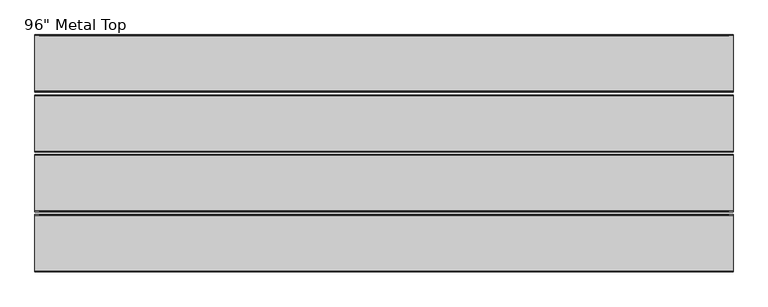
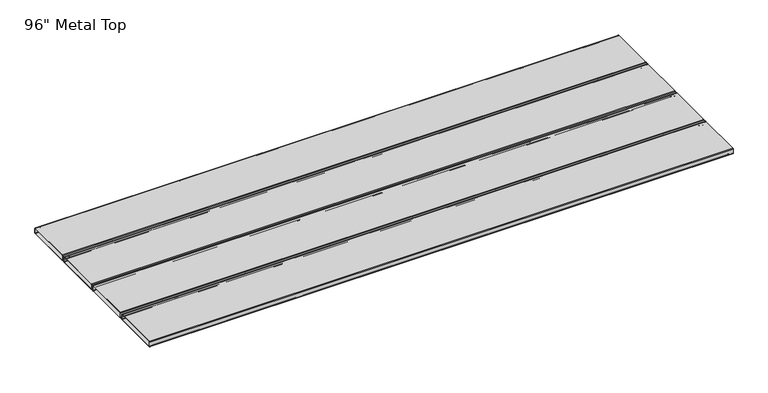
"""IFC4 building model written with IfcOpenShell, lengths in millimetres: furniture geometry."""

from ifc_helpers import new_model, si_unit, point, frame, origin, place, context, project, spatial, polyline, circle_curve, ellipse_curve, trimmed, source, transform, mapped, element, save
from ifc_brep_helpers import plane_surface, cylinder_surface, revolved_surface, advanced_brep


def furniture_aa2daf5c(model_context):
    return source(origin(), model_context, "Body", "AdvancedBrep", [
        advanced_brep(
        [(1204.0856771, -409.4413385, 714.0607445), (1204.0856771, -409.4156702, 697.05), (1204.0856771, -408.0406702, 695.675), (1204.0856771, -215.0404873, 695.675), (1204.0856771, -213.6656702, 697.05), (1204.0856771, -213.6400019, 714.0607445), (1204.0856771, -215.0404873, 715.425), (1204.0856771, -408.0514147, 715.4506683), (-1202.5643229, -409.4156702, 714.05), (-1202.5643229, -408.0406702, 715.425), (-1202.5643229, -215.0404873, 715.425), (-1202.5643229, -213.6656702, 714.05), (-1202.5643229, -213.6656702, 697.05), (-1202.5643229, -215.0404873, 695.675), (-1202.5643229, -408.0514147, 695.6493317), (-1202.5643229, -409.4156702, 697.05)],
        [
            (0, 1),
            (1, 2, circle_curve(frame((1204.0856771, -408.0406702, 697.05), z_axis=(1.0, 0.0, 0.0), x_axis=(0.0, 1.0, 0.0)), 1.375)),
            (2, 3),
            (3, 4, circle_curve(frame((1204.0856771, -215.0406702, 697.05), z_axis=(1.0, 0.0, 0.0), x_axis=(0.0, 1.0, 0.0)), 1.375)),
            (4, 5),
            (5, 6, circle_curve(frame((1204.0856771, -215.0406702, 714.05), z_axis=(1.0, 0.0, 0.0), x_axis=(0.0, 1.0, 0.0)), 1.375)),
            (6, 7),
            (7, 0, circle_curve(frame((1204.0856771, -408.0406702, 714.05), z_axis=(1.0, 0.0, 0.0), x_axis=(0.0, 1.0, 0.0)), 1.375)),
            (8, 9, circle_curve(frame((-1202.5643229, -408.0406702, 714.05), z_axis=(-1.0, 0.0, 0.0), x_axis=(0.0, 1.0, 0.0)), 1.375)),
            (9, 10),
            (10, 11, circle_curve(frame((-1202.5643229, -215.0406702, 714.05), z_axis=(-1.0, 0.0, 0.0), x_axis=(0.0, 1.0, 0.0)), 1.375)),
            (11, 12),
            (12, 13, circle_curve(frame((-1202.5643229, -215.0406702, 697.05), z_axis=(-1.0, 0.0, 0.0), x_axis=(0.0, 1.0, 0.0)), 1.375)),
            (13, 14),
            (14, 15, circle_curve(frame((-1202.5643229, -408.0406702, 697.05), z_axis=(-1.0, 0.0, 0.0), x_axis=(0.0, 1.0, 0.0)), 1.375)),
            (15, 8),
            (0, 8),
            (15, 1),
            (14, 2),
            (13, 3),
            (12, 4),
            (11, 5),
            (10, 6),
            (9, 7),
        ],
        [
            plane_surface(frame((1204.0856771, -409.4156702, 697.05), z_axis=(1.0, 0.0, 0.0), x_axis=(0.0, 0.0015089442958824658, -0.999998861542908))),
            plane_surface(frame((-1202.5643229, -409.4156702, 697.05), z_axis=(-1.0, 0.0, 0.0), x_axis=(0.0, -0.0015089442958824658, 0.999998861542908))),
            plane_surface(frame((1204.0856771, -409.4413385, 714.0607445), z_axis=(0.0, -0.999998861542908, -0.0015089442958824658), x_axis=(-1.0, 0.0, 0.0))),
            cylinder_surface(frame((-1202.5643229, -408.0406702, 697.05), z_axis=(1.0, 0.0, 0.0), x_axis=(0.0, 1.0, 0.0)), 1.375),
            plane_surface(frame((1204.0856771, -408.0514147, 695.6493317), z_axis=(0.0, 0.00013298887997386375, -0.9999999911569789), x_axis=(-1.0, 0.0, 0.0))),
            cylinder_surface(frame((-1202.5643229, -215.0406702, 697.05), z_axis=(1.0, 0.0, 0.0), x_axis=(0.0, 1.0, 0.0)), 1.375),
            plane_surface(frame((1204.0856771, -213.6656702, 697.05), z_axis=(0.0, 0.999998861542908, -0.0015089442958825018), x_axis=(-1.0, 0.0, 0.0))),
            cylinder_surface(frame((-1202.5643229, -215.0406702, 714.05), z_axis=(1.0, 0.0, 0.0), x_axis=(0.0, 1.0, 0.0)), 1.375),
            plane_surface(frame((1204.0856771, -215.0404873, 715.425), z_axis=(0.0, 0.00013298899560815783, 0.9999999911569636), x_axis=(-1.0, 0.0, 0.0))),
            cylinder_surface(frame((-1202.5643229, -408.0406702, 714.05), z_axis=(1.0, 0.0, 0.0), x_axis=(0.0, 1.0, 0.0)), 1.375),
        ],
        [
            (0, [[1, 2, 3, 4, 5, 6, 7, 8]]),
            (1, [[9, 10, 11, 12, 13, 14, 15, 16]]),
            (2, [[-1, 17, -16, 18]]),
            (3, [[-2, -18, -15, 19]]),
            (4, [[-3, -19, -14, 20]]),
            (5, [[-4, -20, -13, 21]]),
            (6, [[-5, -21, -12, 22]]),
            (7, [[-6, -22, -11, 23]]),
            (8, [[-7, -23, -10, 24]]),
            (9, [[-8, -24, -9, -17]]),
        ],
    ),
        advanced_brep(
        [(1219.9606771, -411.5406702, 696.05), (1219.9606771, -409.0406702, 693.55), (1219.9606771, -214.0406702, 693.55), (1219.9606771, -211.5406702, 696.05), (1219.9606771, -211.5406702, 715.05), (1219.9606771, -214.0406702, 717.55), (1219.9606771, -409.0406702, 717.55), (1219.9606771, -411.5406702, 715.05), (1219.9606771, -408.0406702, 695.675), (1219.9606771, -409.4156702, 697.05), (1219.9606771, -409.4413385, 714.0607445), (1219.9606771, -408.0406702, 715.425), (1219.9606771, -215.0404873, 715.425), (1219.9606771, -213.6656702, 714.05), (1219.9606771, -213.6656702, 697.05), (1219.9606771, -215.0404873, 695.675), (-1218.4393229, -411.5406702, 696.05), (-1218.4393229, -411.5406702, 715.05), (-1218.4393229, -409.0406702, 717.55), (-1218.4393229, -214.0406702, 717.55), (-1218.4393229, -211.5406702, 715.05), (-1218.4393229, -211.5406702, 696.05), (-1218.4393229, -214.0406702, 693.55), (-1218.4393229, -409.0406702, 693.55), (-1218.4393229, -408.0514147, 695.6493317), (-1218.4393229, -215.0404873, 695.675), (-1218.4393229, -213.6656702, 697.05), (-1218.4393229, -213.6400019, 714.0607445), (-1218.4393229, -215.0404873, 715.425), (-1218.4393229, -408.0514147, 715.4506683), (-1218.4393229, -409.4156702, 714.05), (-1218.4393229, -409.4156702, 697.05)],
        [
            (0, 1, circle_curve(frame((1219.9606771, -409.0406702, 696.05), z_axis=(1.0, 0.0, 0.0), x_axis=(0.0, 1.0, 0.0)), 2.5)),
            (1, 2),
            (2, 3, circle_curve(frame((1219.9606771, -214.0406702, 696.05), z_axis=(1.0, 0.0, 0.0), x_axis=(0.0, 1.0, 0.0)), 2.5)),
            (3, 4),
            (4, 5, circle_curve(frame((1219.9606771, -214.0406702, 715.05), z_axis=(1.0, 0.0, 0.0), x_axis=(0.0, 1.0, 0.0)), 2.5)),
            (5, 6),
            (6, 7, circle_curve(frame((1219.9606771, -409.0406702, 715.05), z_axis=(1.0, 0.0, 0.0), x_axis=(0.0, 1.0, 0.0)), 2.5)),
            (7, 0),
            (8, 9, circle_curve(frame((1219.9606771, -408.0406702, 697.05), z_axis=(-1.0, 0.0, 0.0), x_axis=(0.0, 1.0, 0.0)), 1.375)),
            (9, 10),
            (10, 11, circle_curve(frame((1219.9606771, -408.0406702, 714.05), z_axis=(-1.0, 0.0, 0.0), x_axis=(0.0, 1.0, 0.0)), 1.375)),
            (11, 12),
            (12, 13, circle_curve(frame((1219.9606771, -215.0406702, 714.05), z_axis=(-1.0, 0.0, 0.0), x_axis=(0.0, 1.0, 0.0)), 1.375)),
            (13, 14),
            (14, 15, circle_curve(frame((1219.9606771, -215.0406702, 697.05), z_axis=(-1.0, 0.0, 0.0), x_axis=(0.0, 1.0, 0.0)), 1.375)),
            (15, 8),
            (16, 17),
            (17, 18, circle_curve(frame((-1218.4393229, -409.0406702, 715.05), z_axis=(-1.0, 0.0, 0.0), x_axis=(0.0, 1.0, 0.0)), 2.5)),
            (18, 19),
            (19, 20, circle_curve(frame((-1218.4393229, -214.0406702, 715.05), z_axis=(-1.0, 0.0, 0.0), x_axis=(0.0, 1.0, 0.0)), 2.5)),
            (20, 21),
            (21, 22, circle_curve(frame((-1218.4393229, -214.0406702, 696.05), z_axis=(-1.0, 0.0, 0.0), x_axis=(0.0, 1.0, 0.0)), 2.5)),
            (22, 23),
            (23, 16, circle_curve(frame((-1218.4393229, -409.0406702, 696.05), z_axis=(-1.0, 0.0, 0.0), x_axis=(0.0, 1.0, 0.0)), 2.5)),
            (24, 25),
            (25, 26, circle_curve(frame((-1218.4393229, -215.0406702, 697.05), z_axis=(1.0, 0.0, 0.0), x_axis=(0.0, 1.0, 0.0)), 1.375)),
            (26, 27),
            (27, 28, circle_curve(frame((-1218.4393229, -215.0406702, 714.05), z_axis=(1.0, 0.0, 0.0), x_axis=(0.0, 1.0, 0.0)), 1.375)),
            (28, 29),
            (29, 30, circle_curve(frame((-1218.4393229, -408.0406702, 714.05), z_axis=(1.0, 0.0, 0.0), x_axis=(0.0, 1.0, 0.0)), 1.375)),
            (30, 31),
            (31, 24, circle_curve(frame((-1218.4393229, -408.0406702, 697.05), z_axis=(1.0, 0.0, 0.0), x_axis=(0.0, 1.0, 0.0)), 1.375)),
            (0, 16),
            (23, 1),
            (22, 2),
            (21, 3),
            (20, 4),
            (19, 5),
            (18, 6),
            (17, 7),
            (8, 24),
            (31, 9),
            (30, 10),
            (29, 11),
            (28, 12),
            (27, 13),
            (26, 14),
            (25, 15),
        ],
        [
            plane_surface(frame((1219.9606771, -406.5406702, 696.05), z_axis=(1.0, 0.0, 0.0), x_axis=(0.0, 0.0, 1.0))),
            plane_surface(frame((-1218.4393229, -406.5406702, 696.05), z_axis=(-1.0, 0.0, 0.0), x_axis=(0.0, 0.0, -1.0))),
            cylinder_surface(frame((-1218.4393229, -409.0406702, 696.05), z_axis=(1.0, 0.0, 0.0), x_axis=(0.0, 1.0, 0.0)), 2.5),
            plane_surface(frame((1219.9606771, -409.0406702, 693.55), z_axis=(0.0, 0.0, -1.0), x_axis=(-1.0, 0.0, 0.0))),
            cylinder_surface(frame((-1218.4393229, -214.0406702, 696.05), z_axis=(1.0, 0.0, 0.0), x_axis=(0.0, 1.0, 0.0)), 2.5),
            plane_surface(frame((1219.9606771, -211.5406702, 696.05), z_axis=(0.0, 1.0, 0.0), x_axis=(-1.0, 0.0, 0.0))),
            cylinder_surface(frame((-1218.4393229, -214.0406702, 715.05), z_axis=(1.0, 0.0, 0.0), x_axis=(0.0, 1.0, 0.0)), 2.5),
            plane_surface(frame((1219.9606771, -214.0406702, 717.55), z_axis=(0.0, 5.2088685501275944e-11, 1.0), x_axis=(-1.0, 0.0, 0.0))),
            cylinder_surface(frame((-1218.4393229, -409.0406702, 715.05), z_axis=(1.0, 0.0, 0.0), x_axis=(0.0, 1.0, 0.0)), 2.5),
            plane_surface(frame((1219.9606771, -411.5406702, 715.05), z_axis=(0.0, -1.0, 0.0), x_axis=(-1.0, 0.0, 0.0))),
            revolved_surface(polyline([(-1218.4393229, -406.6656702, 697.05), (1219.9606771, -406.6656702, 697.05)]), (0.7606771, -408.0406702, 697.05), (-1.0, 0.0, 0.0)),
            plane_surface(frame((1219.9606771, -409.4156702, 697.05), z_axis=(0.0, 0.999998861542908, 0.0015089442958824899), x_axis=(-1.0, 0.0, 0.0))),
            revolved_surface(polyline([(-1218.4393229, -406.6656702, 714.05), (1219.9606771, -406.6656702, 714.05)]), (0.7606771, -408.0406702, 714.05), (-1.0, 0.0, 0.0)),
            plane_surface(frame((1219.9606771, -408.0514147, 715.4506683), z_axis=(0.0, -0.0001329889956081423, -0.9999999911569635), x_axis=(-1.0, 0.0, 0.0))),
            revolved_surface(polyline([(-1218.4393229, -213.6656702, 714.05), (1219.9606771, -213.6656702, 714.05)]), (0.7606771, -215.0406702, 714.05), (-1.0, 0.0, 0.0)),
            plane_surface(frame((1219.9606771, -213.6400019, 714.0607445), z_axis=(0.0, -0.999998861542908, 0.0015089442958825035), x_axis=(-1.0, 0.0, 0.0))),
            revolved_surface(polyline([(-1218.4393229, -213.6656702, 697.05), (1219.9606771, -213.6656702, 697.05)]), (0.7606771, -215.0406702, 697.05), (-1.0, 0.0, 0.0)),
            plane_surface(frame((1219.9606771, -215.0404873, 695.675), z_axis=(0.0, -0.0001329888799738041, 0.9999999911569789), x_axis=(-1.0, 0.0, 0.0))),
        ],
        [
            (0, [[1, 2, 3, 4, 5, 6, 7, 8], [9, 10, 11, 12, 13, 14, 15, 16]]),
            (1, [[17, 18, 19, 20, 21, 22, 23, 24], [25, 26, 27, 28, 29, 30, 31, 32]]),
            (2, [[-1, 33, -24, 34]]),
            (3, [[-2, -34, -23, 35]]),
            (4, [[-3, -35, -22, 36]]),
            (5, [[-4, -36, -21, 37]]),
            (6, [[-5, -37, -20, 38]]),
            (7, [[-6, -38, -19, 39]]),
            (8, [[-7, -39, -18, 40]]),
            (9, [[-8, -40, -17, -33]]),
            (10, [[-9, 41, -32, 42]]),
            (11, [[-10, -42, -31, 43]]),
            (12, [[-11, -43, -30, 44]]),
            (13, [[-12, -44, -29, 45]]),
            (14, [[-13, -45, -28, 46]]),
            (15, [[-14, -46, -27, 47]]),
            (16, [[-15, -47, -26, 48]]),
            (17, [[-16, -48, -25, -41]]),
        ],
    ),
        advanced_brep(
        [(1204.0856771, -422.4343298, 714.05), (1204.0856771, -423.8093298, 715.425), (1204.0856771, -616.8095127, 715.425), (1204.0856771, -618.1843298, 714.05), (1204.0856771, -618.1843298, 697.05), (1204.0856771, -616.8095127, 695.675), (1204.0856771, -423.7985853, 695.6493317), (1204.0856771, -422.4343298, 697.05), (-1202.5643229, -422.4086615, 714.0607445), (-1202.5643229, -422.4343298, 697.05), (-1202.5643229, -423.8093298, 695.675), (-1202.5643229, -616.8095127, 695.675), (-1202.5643229, -618.1843298, 697.05), (-1202.5643229, -618.2099981, 714.0607445), (-1202.5643229, -616.8095127, 715.425), (-1202.5643229, -423.7985853, 715.4506683)],
        [
            (0, 1, circle_curve(frame((1204.0856771, -423.8093298, 714.05), z_axis=(1.0, 0.0, 0.0), x_axis=(0.0, -1.0, 0.0)), 1.375)),
            (1, 2),
            (2, 3, circle_curve(frame((1204.0856771, -616.8093298, 714.05), z_axis=(1.0, 0.0, 0.0), x_axis=(0.0, -1.0, 0.0)), 1.375)),
            (3, 4),
            (4, 5, circle_curve(frame((1204.0856771, -616.8093298, 697.05), z_axis=(1.0, 0.0, 0.0), x_axis=(0.0, -1.0, 0.0)), 1.375)),
            (5, 6),
            (6, 7, circle_curve(frame((1204.0856771, -423.8093298, 697.05), z_axis=(1.0, 0.0, 0.0), x_axis=(0.0, -1.0, 0.0)), 1.375)),
            (7, 0),
            (8, 9),
            (9, 10, circle_curve(frame((-1202.5643229, -423.8093298, 697.05), z_axis=(-1.0, 0.0, 0.0), x_axis=(0.0, -1.0, 0.0)), 1.375)),
            (10, 11),
            (11, 12, circle_curve(frame((-1202.5643229, -616.8093298, 697.05), z_axis=(-1.0, 0.0, 0.0), x_axis=(0.0, -1.0, 0.0)), 1.375)),
            (12, 13),
            (13, 14, circle_curve(frame((-1202.5643229, -616.8093298, 714.05), z_axis=(-1.0, 0.0, 0.0), x_axis=(0.0, -1.0, 0.0)), 1.375)),
            (14, 15),
            (15, 8, circle_curve(frame((-1202.5643229, -423.8093298, 714.05), z_axis=(-1.0, 0.0, 0.0), x_axis=(0.0, -1.0, 0.0)), 1.375)),
            (7, 9),
            (8, 0),
            (6, 10),
            (5, 11),
            (4, 12),
            (3, 13),
            (2, 14),
            (1, 15),
        ],
        [
            plane_surface(frame((1204.0856771, -425.1843298, 714.05), z_axis=(1.0, 0.0, 0.0), x_axis=(0.0, 0.0, -1.0))),
            plane_surface(frame((-1202.5643229, -425.1843298, 714.05), z_axis=(-1.0, 0.0, 0.0), x_axis=(0.0, 0.0, 1.0))),
            plane_surface(frame((1204.0856771, -422.4343298, 697.05), z_axis=(0.0, 0.999998861542908, -0.0015089442958824658), x_axis=(-1.0, 0.0, 0.0))),
            cylinder_surface(frame((-1202.5643229, -423.8093298, 697.05), z_axis=(1.0, 0.0, 0.0), x_axis=(0.0, -1.0, 0.0)), 1.375),
            plane_surface(frame((1204.0856771, -616.8095127, 695.675), z_axis=(0.0, -0.00013298887997386375, -0.9999999911569789), x_axis=(-1.0, 0.0, 0.0))),
            cylinder_surface(frame((-1202.5643229, -616.8093298, 697.05), z_axis=(1.0, 0.0, 0.0), x_axis=(0.0, -1.0, 0.0)), 1.375),
            plane_surface(frame((1204.0856771, -618.2099981, 714.0607445), z_axis=(0.0, -0.999998861542908, -0.0015089442958825018), x_axis=(-1.0, 0.0, 0.0))),
            cylinder_surface(frame((-1202.5643229, -616.8093298, 714.05), z_axis=(1.0, 0.0, 0.0), x_axis=(0.0, -1.0, 0.0)), 1.375),
            plane_surface(frame((1204.0856771, -423.7985853, 715.4506683), z_axis=(0.0, -0.00013298899560815783, 0.9999999911569636), x_axis=(-1.0, 0.0, 0.0))),
            cylinder_surface(frame((-1202.5643229, -423.8093298, 714.05), z_axis=(1.0, 0.0, 0.0), x_axis=(0.0, -1.0, 0.0)), 1.375),
        ],
        [
            (0, [[1, 2, 3, 4, 5, 6, 7, 8]]),
            (1, [[9, 10, 11, 12, 13, 14, 15, 16]]),
            (2, [[-8, 17, -9, 18]]),
            (3, [[-7, 19, -10, -17]]),
            (4, [[-6, 20, -11, -19]]),
            (5, [[-5, 21, -12, -20]]),
            (6, [[-4, 22, -13, -21]]),
            (7, [[-3, 23, -14, -22]]),
            (8, [[-2, 24, -15, -23]]),
            (9, [[-1, -18, -16, -24]]),
        ],
    ),
        advanced_brep(
        [(1219.9606771, -420.3093298, 696.05), (1219.9606771, -420.3093298, 715.05), (1219.9606771, -422.8093298, 717.55), (1219.9606771, -617.8093298, 717.55), (1219.9606771, -620.3093298, 715.05), (1219.9606771, -620.3093298, 696.05), (1219.9606771, -617.8093298, 693.55), (1219.9606771, -422.8093298, 693.55), (1219.9606771, -423.7985853, 695.6493317), (1219.9606771, -616.8095127, 695.675), (1219.9606771, -618.1843298, 697.05), (1219.9606771, -618.2099981, 714.0607445), (1219.9606771, -616.8095127, 715.425), (1219.9606771, -423.7985853, 715.4506683), (1219.9606771, -422.4343298, 714.05), (1219.9606771, -422.4343298, 697.05), (-1218.4393229, -420.3093298, 696.05), (-1218.4393229, -422.8093298, 693.55), (-1218.4393229, -617.8093298, 693.55), (-1218.4393229, -620.3093298, 696.05), (-1218.4393229, -620.3093298, 715.05), (-1218.4393229, -617.8093298, 717.55), (-1218.4393229, -422.8093298, 717.55), (-1218.4393229, -420.3093298, 715.05), (-1218.4393229, -423.8093298, 695.675), (-1218.4393229, -422.4343298, 697.05), (-1218.4393229, -422.4086615, 714.0607445), (-1218.4393229, -423.8093298, 715.425), (-1218.4393229, -616.8095127, 715.425), (-1218.4393229, -618.1843298, 714.05), (-1218.4393229, -618.1843298, 697.05), (-1218.4393229, -616.8095127, 695.675)],
        [
            (0, 1),
            (1, 2, circle_curve(frame((1219.9606771, -422.8093298, 715.05), z_axis=(1.0, 0.0, 0.0), x_axis=(0.0, -1.0, 0.0)), 2.5)),
            (2, 3),
            (3, 4, circle_curve(frame((1219.9606771, -617.8093298, 715.05), z_axis=(1.0, 0.0, 0.0), x_axis=(0.0, -1.0, 0.0)), 2.5)),
            (4, 5),
            (5, 6, circle_curve(frame((1219.9606771, -617.8093298, 696.05), z_axis=(1.0, 0.0, 0.0), x_axis=(0.0, -1.0, 0.0)), 2.5)),
            (6, 7),
            (7, 0, circle_curve(frame((1219.9606771, -422.8093298, 696.05), z_axis=(1.0, 0.0, 0.0), x_axis=(0.0, -1.0, 0.0)), 2.5)),
            (8, 9),
            (9, 10, circle_curve(frame((1219.9606771, -616.8093298, 697.05), z_axis=(-1.0, 0.0, 0.0), x_axis=(0.0, -1.0, 0.0)), 1.375)),
            (10, 11),
            (11, 12, circle_curve(frame((1219.9606771, -616.8093298, 714.05), z_axis=(-1.0, 0.0, 0.0), x_axis=(0.0, -1.0, 0.0)), 1.375)),
            (12, 13),
            (13, 14, circle_curve(frame((1219.9606771, -423.8093298, 714.05), z_axis=(-1.0, 0.0, 0.0), x_axis=(0.0, -1.0, 0.0)), 1.375)),
            (14, 15),
            (15, 8, circle_curve(frame((1219.9606771, -423.8093298, 697.05), z_axis=(-1.0, 0.0, 0.0), x_axis=(0.0, -1.0, 0.0)), 1.375)),
            (16, 17, circle_curve(frame((-1218.4393229, -422.8093298, 696.05), z_axis=(-1.0, 0.0, 0.0), x_axis=(0.0, -1.0, 0.0)), 2.5)),
            (17, 18),
            (18, 19, circle_curve(frame((-1218.4393229, -617.8093298, 696.05), z_axis=(-1.0, 0.0, 0.0), x_axis=(0.0, -1.0, 0.0)), 2.5)),
            (19, 20),
            (20, 21, circle_curve(frame((-1218.4393229, -617.8093298, 715.05), z_axis=(-1.0, 0.0, 0.0), x_axis=(0.0, -1.0, 0.0)), 2.5)),
            (21, 22),
            (22, 23, circle_curve(frame((-1218.4393229, -422.8093298, 715.05), z_axis=(-1.0, 0.0, 0.0), x_axis=(0.0, -1.0, 0.0)), 2.5)),
            (23, 16),
            (24, 25, circle_curve(frame((-1218.4393229, -423.8093298, 697.05), z_axis=(1.0, 0.0, 0.0), x_axis=(0.0, -1.0, 0.0)), 1.375)),
            (25, 26),
            (26, 27, circle_curve(frame((-1218.4393229, -423.8093298, 714.05), z_axis=(1.0, 0.0, 0.0), x_axis=(0.0, -1.0, 0.0)), 1.375)),
            (27, 28),
            (28, 29, circle_curve(frame((-1218.4393229, -616.8093298, 714.05), z_axis=(1.0, 0.0, 0.0), x_axis=(0.0, -1.0, 0.0)), 1.375)),
            (29, 30),
            (30, 31, circle_curve(frame((-1218.4393229, -616.8093298, 697.05), z_axis=(1.0, 0.0, 0.0), x_axis=(0.0, -1.0, 0.0)), 1.375)),
            (31, 24),
            (7, 17),
            (16, 0),
            (6, 18),
            (5, 19),
            (4, 20),
            (3, 21),
            (2, 22),
            (1, 23),
            (15, 25),
            (24, 8),
            (14, 26),
            (13, 27),
            (12, 28),
            (11, 29),
            (10, 30),
            (9, 31),
        ],
        [
            plane_surface(frame((1219.9606771, -420.3093298, 715.05), z_axis=(1.0, 0.0, 0.0), x_axis=(0.0, 0.0, 1.0))),
            plane_surface(frame((-1218.4393229, -420.3093298, 715.05), z_axis=(-1.0, 0.0, 0.0), x_axis=(0.0, 0.0, -1.0))),
            cylinder_surface(frame((-1218.4393229, -422.8093298, 696.05), z_axis=(1.0, 0.0, 0.0), x_axis=(0.0, -1.0, 0.0)), 2.5),
            plane_surface(frame((1219.9606771, -617.8093298, 693.55), z_axis=(0.0, 0.0, -1.0), x_axis=(-1.0, 0.0, 0.0))),
            cylinder_surface(frame((-1218.4393229, -617.8093298, 696.05), z_axis=(1.0, 0.0, 0.0), x_axis=(0.0, -1.0, 0.0)), 2.5),
            plane_surface(frame((1219.9606771, -620.3093298, 715.05), z_axis=(0.0, -1.0, 0.0), x_axis=(-1.0, 0.0, 0.0))),
            cylinder_surface(frame((-1218.4393229, -617.8093298, 715.05), z_axis=(1.0, 0.0, 0.0), x_axis=(0.0, -1.0, 0.0)), 2.5),
            plane_surface(frame((1219.9606771, -422.8093298, 717.55), z_axis=(0.0, -5.2088685501275944e-11, 1.0), x_axis=(-1.0, 0.0, 0.0))),
            cylinder_surface(frame((-1218.4393229, -422.8093298, 715.05), z_axis=(1.0, 0.0, 0.0), x_axis=(0.0, -1.0, 0.0)), 2.5),
            plane_surface(frame((1219.9606771, -420.3093298, 696.05), z_axis=(0.0, 1.0, 0.0), x_axis=(-1.0, 0.0, 0.0))),
            revolved_surface(polyline([(-1218.4393229, -425.1843298, 697.05), (1219.9606771, -425.1843298, 697.05)]), (0.7606771, -423.8093298, 697.05), (-1.0, 0.0, 0.0)),
            plane_surface(frame((1219.9606771, -422.4086615, 714.0607445), z_axis=(0.0, -0.999998861542908, 0.0015089442958824899), x_axis=(-1.0, 0.0, 0.0))),
            revolved_surface(polyline([(-1218.4393229, -425.1843298, 714.05), (1219.9606771, -425.1843298, 714.05)]), (0.7606771, -423.8093298, 714.05), (-1.0, 0.0, 0.0)),
            plane_surface(frame((1219.9606771, -616.8095127, 715.425), z_axis=(0.0, 0.0001329889956081423, -0.9999999911569635), x_axis=(-1.0, 0.0, 0.0))),
            revolved_surface(polyline([(-1218.4393229, -618.1843298, 714.05), (1219.9606771, -618.1843298, 714.05)]), (0.7606771, -616.8093298, 714.05), (-1.0, 0.0, 0.0)),
            plane_surface(frame((1219.9606771, -618.1843298, 697.05), z_axis=(0.0, 0.999998861542908, 0.0015089442958825035), x_axis=(-1.0, 0.0, 0.0))),
            revolved_surface(polyline([(-1218.4393229, -618.1843298, 697.05), (1219.9606771, -618.1843298, 697.05)]), (0.7606771, -616.8093298, 697.05), (-1.0, 0.0, 0.0)),
            plane_surface(frame((1219.9606771, -423.7985853, 695.6493317), z_axis=(0.0, 0.00013298887997380406, 0.9999999911569789), x_axis=(-1.0, 0.0, 0.0))),
        ],
        [
            (0, [[1, 2, 3, 4, 5, 6, 7, 8], [9, 10, 11, 12, 13, 14, 15, 16]]),
            (1, [[17, 18, 19, 20, 21, 22, 23, 24], [25, 26, 27, 28, 29, 30, 31, 32]]),
            (2, [[-8, 33, -17, 34]]),
            (3, [[-7, 35, -18, -33]]),
            (4, [[-6, 36, -19, -35]]),
            (5, [[-5, 37, -20, -36]]),
            (6, [[-4, 38, -21, -37]]),
            (7, [[-3, 39, -22, -38]]),
            (8, [[-2, 40, -23, -39]]),
            (9, [[-1, -34, -24, -40]]),
            (10, [[-16, 41, -25, 42]]),
            (11, [[-15, 43, -26, -41]]),
            (12, [[-14, 44, -27, -43]]),
            (13, [[-13, 45, -28, -44]]),
            (14, [[-12, 46, -29, -45]]),
            (15, [[-11, 47, -30, -46]]),
            (16, [[-10, 48, -31, -47]]),
            (17, [[-9, -42, -32, -48]]),
        ],
    ),
        advanced_brep(
        [(1204.0856771, -3.7125, 714.05), (1204.0856771, -5.0875, 715.425), (1204.0856771, -198.0876829, 715.425), (1204.0856771, -199.4625, 714.05), (1204.0856771, -199.4625, 697.05), (1204.0856771, -198.0876829, 695.675), (1204.0856771, -5.0767555, 695.6493317), (1204.0856771, -3.7125, 697.05), (-1202.5643229, -3.6868317, 714.0607445), (-1202.5643229, -3.7125, 697.05), (-1202.5643229, -5.0875, 695.675), (-1202.5643229, -198.0876829, 695.675), (-1202.5643229, -199.4625, 697.05), (-1202.5643229, -199.4881683, 714.0607445), (-1202.5643229, -198.0876829, 715.425), (-1202.5643229, -5.0767555, 715.4506683)],
        [
            (0, 1, circle_curve(frame((1204.0856771, -5.0875, 714.05), z_axis=(1.0, 0.0, 0.0), x_axis=(0.0, -1.0, 0.0)), 1.375)),
            (1, 2),
            (2, 3, circle_curve(frame((1204.0856771, -198.0875, 714.05), z_axis=(1.0, 0.0, 0.0), x_axis=(0.0, -1.0, 0.0)), 1.375)),
            (3, 4),
            (4, 5, circle_curve(frame((1204.0856771, -198.0875, 697.05), z_axis=(1.0, 0.0, 0.0), x_axis=(0.0, -1.0, 0.0)), 1.375)),
            (5, 6),
            (6, 7, circle_curve(frame((1204.0856771, -5.0875, 697.05), z_axis=(1.0, 0.0, 0.0), x_axis=(0.0, -1.0, 0.0)), 1.375)),
            (7, 0),
            (8, 9),
            (9, 10, circle_curve(frame((-1202.5643229, -5.0875, 697.05), z_axis=(-1.0, 0.0, 0.0), x_axis=(0.0, -1.0, 0.0)), 1.375)),
            (10, 11),
            (11, 12, circle_curve(frame((-1202.5643229, -198.0875, 697.05), z_axis=(-1.0, 0.0, 0.0), x_axis=(0.0, -1.0, 0.0)), 1.375)),
            (12, 13),
            (13, 14, circle_curve(frame((-1202.5643229, -198.0875, 714.05), z_axis=(-1.0, 0.0, 0.0), x_axis=(0.0, -1.0, 0.0)), 1.375)),
            (14, 15),
            (15, 8, circle_curve(frame((-1202.5643229, -5.0875, 714.05), z_axis=(-1.0, 0.0, 0.0), x_axis=(0.0, -1.0, 0.0)), 1.375)),
            (7, 9),
            (8, 0),
            (6, 10),
            (5, 11),
            (4, 12),
            (3, 13),
            (2, 14),
            (1, 15),
        ],
        [
            plane_surface(frame((1204.0856771, -6.4625, 714.05), z_axis=(1.0, 0.0, 0.0), x_axis=(0.0, 0.0, -1.0))),
            plane_surface(frame((-1202.5643229, -6.4625, 714.05), z_axis=(-1.0, 0.0, 0.0), x_axis=(0.0, 0.0, 1.0))),
            plane_surface(frame((1204.0856771, -3.7125, 697.05), z_axis=(0.0, 0.999998861542908, -0.0015089442958824658), x_axis=(-1.0, 0.0, 0.0))),
            cylinder_surface(frame((-1202.5643229, -5.0875, 697.05), z_axis=(1.0, 0.0, 0.0), x_axis=(0.0, -1.0, 0.0)), 1.375),
            plane_surface(frame((1204.0856771, -198.0876829, 695.675), z_axis=(0.0, -0.00013298887997386372, -0.9999999911569789), x_axis=(-1.0, 0.0, 0.0))),
            cylinder_surface(frame((-1202.5643229, -198.0875, 697.05), z_axis=(1.0, 0.0, 0.0), x_axis=(0.0, -1.0, 0.0)), 1.375),
            plane_surface(frame((1204.0856771, -199.4881683, 714.0607445), z_axis=(0.0, -0.999998861542908, -0.0015089442958825018), x_axis=(-1.0, 0.0, 0.0))),
            cylinder_surface(frame((-1202.5643229, -198.0875, 714.05), z_axis=(1.0, 0.0, 0.0), x_axis=(0.0, -1.0, 0.0)), 1.375),
            plane_surface(frame((1204.0856771, -5.0767555, 715.4506683), z_axis=(0.0, -0.00013298899560815783, 0.9999999911569636), x_axis=(-1.0, 0.0, 0.0))),
            cylinder_surface(frame((-1202.5643229, -5.0875, 714.05), z_axis=(1.0, 0.0, 0.0), x_axis=(0.0, -1.0, 0.0)), 1.375),
        ],
        [
            (0, [[1, 2, 3, 4, 5, 6, 7, 8]]),
            (1, [[9, 10, 11, 12, 13, 14, 15, 16]]),
            (2, [[-8, 17, -9, 18]]),
            (3, [[-7, 19, -10, -17]]),
            (4, [[-6, 20, -11, -19]]),
            (5, [[-5, 21, -12, -20]]),
            (6, [[-4, 22, -13, -21]]),
            (7, [[-3, 23, -14, -22]]),
            (8, [[-2, 24, -15, -23]]),
            (9, [[-1, -18, -16, -24]]),
        ],
    ),
        advanced_brep(
        [(1219.9606771, -1.5875, 696.05), (1219.9606771, -1.5875, 715.05), (1219.9606771, -4.0875, 717.55), (1219.9606771, -199.0875, 717.55), (1219.9606771, -201.5875, 715.05), (1219.9606771, -201.5875, 696.05), (1219.9606771, -199.0875, 693.55), (1219.9606771, -4.0875, 693.55), (1219.9606771, -5.0767555, 695.6493317), (1219.9606771, -198.0876829, 695.675), (1219.9606771, -199.4625, 697.05), (1219.9606771, -199.4881683, 714.0607445), (1219.9606771, -198.0876829, 715.425), (1219.9606771, -5.0767555, 715.4506683), (1219.9606771, -3.7125, 714.05), (1219.9606771, -3.7125, 697.05), (-1218.4393229, -1.5875, 696.05), (-1218.4393229, -4.0875, 693.55), (-1218.4393229, -199.0875, 693.55), (-1218.4393229, -201.5875, 696.05), (-1218.4393229, -201.5875, 715.05), (-1218.4393229, -199.0875, 717.55), (-1218.4393229, -4.0875, 717.55), (-1218.4393229, -1.5875, 715.05), (-1218.4393229, -5.0875, 695.675), (-1218.4393229, -3.7125, 697.05), (-1218.4393229, -3.6868317, 714.0607445), (-1218.4393229, -5.0875, 715.425), (-1218.4393229, -198.0876829, 715.425), (-1218.4393229, -199.4625, 714.05), (-1218.4393229, -199.4625, 697.05), (-1218.4393229, -198.0876829, 695.675)],
        [
            (0, 1),
            (1, 2, circle_curve(frame((1219.9606771, -4.0875, 715.05), z_axis=(1.0, 0.0, 0.0), x_axis=(0.0, -1.0, 0.0)), 2.5)),
            (2, 3),
            (3, 4, circle_curve(frame((1219.9606771, -199.0875, 715.05), z_axis=(1.0, 0.0, 0.0), x_axis=(0.0, -1.0, 0.0)), 2.5)),
            (4, 5),
            (5, 6, circle_curve(frame((1219.9606771, -199.0875, 696.05), z_axis=(1.0, 0.0, 0.0), x_axis=(0.0, -1.0, 0.0)), 2.5)),
            (6, 7),
            (7, 0, circle_curve(frame((1219.9606771, -4.0875, 696.05), z_axis=(1.0, 0.0, 0.0), x_axis=(0.0, -1.0, 0.0)), 2.5)),
            (8, 9),
            (9, 10, circle_curve(frame((1219.9606771, -198.0875, 697.05), z_axis=(-1.0, 0.0, 0.0), x_axis=(0.0, -1.0, 0.0)), 1.375)),
            (10, 11),
            (11, 12, circle_curve(frame((1219.9606771, -198.0875, 714.05), z_axis=(-1.0, 0.0, 0.0), x_axis=(0.0, -1.0, 0.0)), 1.375)),
            (12, 13),
            (13, 14, circle_curve(frame((1219.9606771, -5.0875, 714.05), z_axis=(-1.0, 0.0, 0.0), x_axis=(0.0, -1.0, 0.0)), 1.375)),
            (14, 15),
            (15, 8, circle_curve(frame((1219.9606771, -5.0875, 697.05), z_axis=(-1.0, 0.0, 0.0), x_axis=(0.0, -1.0, 0.0)), 1.375)),
            (16, 17, circle_curve(frame((-1218.4393229, -4.0875, 696.05), z_axis=(-1.0, 0.0, 0.0), x_axis=(0.0, -1.0, 0.0)), 2.5)),
            (17, 18),
            (18, 19, circle_curve(frame((-1218.4393229, -199.0875, 696.05), z_axis=(-1.0, 0.0, 0.0), x_axis=(0.0, -1.0, 0.0)), 2.5)),
            (19, 20),
            (20, 21, circle_curve(frame((-1218.4393229, -199.0875, 715.05), z_axis=(-1.0, 0.0, 0.0), x_axis=(0.0, -1.0, 0.0)), 2.5)),
            (21, 22),
            (22, 23, circle_curve(frame((-1218.4393229, -4.0875, 715.05), z_axis=(-1.0, 0.0, 0.0), x_axis=(0.0, -1.0, 0.0)), 2.5)),
            (23, 16),
            (24, 25, circle_curve(frame((-1218.4393229, -5.0875, 697.05), z_axis=(1.0, 0.0, 0.0), x_axis=(0.0, -1.0, 0.0)), 1.375)),
            (25, 26),
            (26, 27, circle_curve(frame((-1218.4393229, -5.0875, 714.05), z_axis=(1.0, 0.0, 0.0), x_axis=(0.0, -1.0, 0.0)), 1.375)),
            (27, 28),
            (28, 29, circle_curve(frame((-1218.4393229, -198.0875, 714.05), z_axis=(1.0, 0.0, 0.0), x_axis=(0.0, -1.0, 0.0)), 1.375)),
            (29, 30),
            (30, 31, circle_curve(frame((-1218.4393229, -198.0875, 697.05), z_axis=(1.0, 0.0, 0.0), x_axis=(0.0, -1.0, 0.0)), 1.375)),
            (31, 24),
            (7, 17),
            (16, 0),
            (6, 18),
            (5, 19),
            (4, 20),
            (3, 21),
            (2, 22),
            (1, 23),
            (15, 25),
            (24, 8),
            (14, 26),
            (13, 27),
            (12, 28),
            (11, 29),
            (10, 30),
            (9, 31),
        ],
        [
            plane_surface(frame((1219.9606771, -1.5875, 715.05), z_axis=(1.0, 0.0, 0.0), x_axis=(0.0, 0.0, 1.0))),
            plane_surface(frame((-1218.4393229, -1.5875, 715.05), z_axis=(-1.0, 0.0, 0.0), x_axis=(0.0, 0.0, -1.0))),
            cylinder_surface(frame((-1218.4393229, -4.0875, 696.05), z_axis=(1.0, 0.0, 0.0), x_axis=(0.0, -1.0, 0.0)), 2.5),
            plane_surface(frame((1219.9606771, -199.0875, 693.55), z_axis=(0.0, 0.0, -1.0), x_axis=(-1.0, 0.0, 0.0))),
            cylinder_surface(frame((-1218.4393229, -199.0875, 696.05), z_axis=(1.0, 0.0, 0.0), x_axis=(0.0, -1.0, 0.0)), 2.5),
            plane_surface(frame((1219.9606771, -201.5875, 715.05), z_axis=(0.0, -1.0, 0.0), x_axis=(-1.0, 0.0, 0.0))),
            cylinder_surface(frame((-1218.4393229, -199.0875, 715.05), z_axis=(1.0, 0.0, 0.0), x_axis=(0.0, -1.0, 0.0)), 2.5),
            plane_surface(frame((1219.9606771, -4.0875, 717.55), z_axis=(0.0, -5.2088685501275944e-11, 1.0), x_axis=(-1.0, 0.0, 0.0))),
            cylinder_surface(frame((-1218.4393229, -4.0875, 715.05), z_axis=(1.0, 0.0, 0.0), x_axis=(0.0, -1.0, 0.0)), 2.5),
            plane_surface(frame((1219.9606771, -1.5875, 696.05), z_axis=(0.0, 1.0, 0.0), x_axis=(-1.0, 0.0, 0.0))),
            revolved_surface(polyline([(-1218.4393229, -6.4625, 697.05), (1219.9606771, -6.4625, 697.05)]), (0.7606771, -5.0875, 697.05), (-1.0, 0.0, 0.0)),
            plane_surface(frame((1219.9606771, -3.6868317, 714.0607445), z_axis=(0.0, -0.999998861542908, 0.0015089442958824899), x_axis=(-1.0, 0.0, 0.0))),
            revolved_surface(polyline([(-1218.4393229, -6.4625, 714.05), (1219.9606771, -6.4625, 714.05)]), (0.7606771, -5.0875, 714.05), (-1.0, 0.0, 0.0)),
            plane_surface(frame((1219.9606771, -198.0876829, 715.425), z_axis=(0.0, 0.0001329889956081423, -0.9999999911569635), x_axis=(-1.0, 0.0, 0.0))),
            revolved_surface(polyline([(-1218.4393229, -199.4625, 714.05), (1219.9606771, -199.4625, 714.05)]), (0.7606771, -198.0875, 714.05), (-1.0, 0.0, 0.0)),
            plane_surface(frame((1219.9606771, -199.4625, 697.05), z_axis=(0.0, 0.999998861542908, 0.0015089442958825035), x_axis=(-1.0, 0.0, 0.0))),
            revolved_surface(polyline([(-1218.4393229, -199.4625, 697.05), (1219.9606771, -199.4625, 697.05)]), (0.7606771, -198.0875, 697.05), (-1.0, 0.0, 0.0)),
            plane_surface(frame((1219.9606771, -5.0767555, 695.6493317), z_axis=(0.0, 0.0001329888799738041, 0.9999999911569789), x_axis=(-1.0, 0.0, 0.0))),
        ],
        [
            (0, [[1, 2, 3, 4, 5, 6, 7, 8], [9, 10, 11, 12, 13, 14, 15, 16]]),
            (1, [[17, 18, 19, 20, 21, 22, 23, 24], [25, 26, 27, 28, 29, 30, 31, 32]]),
            (2, [[-8, 33, -17, 34]]),
            (3, [[-7, 35, -18, -33]]),
            (4, [[-6, 36, -19, -35]]),
            (5, [[-5, 37, -20, -36]]),
            (6, [[-4, 38, -21, -37]]),
            (7, [[-3, 39, -22, -38]]),
            (8, [[-2, 40, -23, -39]]),
            (9, [[-1, -34, -24, -40]]),
            (10, [[-16, 41, -25, 42]]),
            (11, [[-15, 43, -26, -41]]),
            (12, [[-14, 44, -27, -43]]),
            (13, [[-13, 45, -28, -44]]),
            (14, [[-12, 46, -29, -45]]),
            (15, [[-11, 47, -30, -46]]),
            (16, [[-10, 48, -31, -47]]),
            (17, [[-9, -42, -32, -48]]),
        ],
    ),
        advanced_brep(
        [(1204.0856771, -828.1631683, 714.0607445), (1204.0856771, -828.1375, 697.05), (1204.0856771, -826.7625, 695.675), (1204.0856771, -633.7623171, 695.675), (1204.0856771, -632.3875, 697.05), (1204.0856771, -632.3618317, 714.0607445), (1204.0856771, -633.7623171, 715.425), (1204.0856771, -826.7732445, 715.4506683), (-1202.5643229, -828.1375, 714.05), (-1202.5643229, -826.7625, 715.425), (-1202.5643229, -633.7623171, 715.425), (-1202.5643229, -632.3875, 714.05), (-1202.5643229, -632.3875, 697.05), (-1202.5643229, -633.7623171, 695.675), (-1202.5643229, -826.7732445, 695.6493317), (-1202.5643229, -828.1375, 697.05)],
        [
            (0, 1),
            (1, 2, circle_curve(frame((1204.0856771, -826.7625, 697.05), z_axis=(1.0, 0.0, 0.0), x_axis=(0.0, 1.0, 0.0)), 1.375)),
            (2, 3),
            (3, 4, circle_curve(frame((1204.0856771, -633.7625, 697.05), z_axis=(1.0, 0.0, 0.0), x_axis=(0.0, 1.0, 0.0)), 1.375)),
            (4, 5),
            (5, 6, circle_curve(frame((1204.0856771, -633.7625, 714.05), z_axis=(1.0, 0.0, 0.0), x_axis=(0.0, 1.0, 0.0)), 1.375)),
            (6, 7),
            (7, 0, circle_curve(frame((1204.0856771, -826.7625, 714.05), z_axis=(1.0, 0.0, 0.0), x_axis=(0.0, 1.0, 0.0)), 1.375)),
            (8, 9, circle_curve(frame((-1202.5643229, -826.7625, 714.05), z_axis=(-1.0, 0.0, 0.0), x_axis=(0.0, 1.0, 0.0)), 1.375)),
            (9, 10),
            (10, 11, circle_curve(frame((-1202.5643229, -633.7625, 714.05), z_axis=(-1.0, 0.0, 0.0), x_axis=(0.0, 1.0, 0.0)), 1.375)),
            (11, 12),
            (12, 13, circle_curve(frame((-1202.5643229, -633.7625, 697.05), z_axis=(-1.0, 0.0, 0.0), x_axis=(0.0, 1.0, 0.0)), 1.375)),
            (13, 14),
            (14, 15, circle_curve(frame((-1202.5643229, -826.7625, 697.05), z_axis=(-1.0, 0.0, 0.0), x_axis=(0.0, 1.0, 0.0)), 1.375)),
            (15, 8),
            (0, 8),
            (15, 1),
            (14, 2),
            (13, 3),
            (12, 4),
            (11, 5),
            (10, 6),
            (9, 7),
        ],
        [
            plane_surface(frame((1204.0856771, -828.1375, 697.05), z_axis=(1.0, 0.0, 0.0), x_axis=(0.0, 0.0015089442958824658, -0.999998861542908))),
            plane_surface(frame((-1202.5643229, -828.1375, 697.05), z_axis=(-1.0, 0.0, 0.0), x_axis=(0.0, -0.0015089442958824658, 0.999998861542908))),
            plane_surface(frame((1204.0856771, -828.1631683, 714.0607445), z_axis=(0.0, -0.999998861542908, -0.0015089442958824658), x_axis=(-1.0, 0.0, 0.0))),
            cylinder_surface(frame((-1202.5643229, -826.7625, 697.05), z_axis=(1.0, 0.0, 0.0), x_axis=(0.0, 1.0, 0.0)), 1.375),
            plane_surface(frame((1204.0856771, -826.7732445, 695.6493317), z_axis=(0.0, 0.00013298887997386375, -0.9999999911569789), x_axis=(-1.0, 0.0, 0.0))),
            cylinder_surface(frame((-1202.5643229, -633.7625, 697.05), z_axis=(1.0, 0.0, 0.0), x_axis=(0.0, 1.0, 0.0)), 1.375),
            plane_surface(frame((1204.0856771, -632.3875, 697.05), z_axis=(0.0, 0.999998861542908, -0.0015089442958825018), x_axis=(-1.0, 0.0, 0.0))),
            cylinder_surface(frame((-1202.5643229, -633.7625, 714.05), z_axis=(1.0, 0.0, 0.0), x_axis=(0.0, 1.0, 0.0)), 1.375),
            plane_surface(frame((1204.0856771, -633.7623171, 715.425), z_axis=(0.0, 0.00013298899560815783, 0.9999999911569636), x_axis=(-1.0, 0.0, 0.0))),
            cylinder_surface(frame((-1202.5643229, -826.7625, 714.05), z_axis=(1.0, 0.0, 0.0), x_axis=(0.0, 1.0, 0.0)), 1.375),
        ],
        [
            (0, [[1, 2, 3, 4, 5, 6, 7, 8]]),
            (1, [[9, 10, 11, 12, 13, 14, 15, 16]]),
            (2, [[-1, 17, -16, 18]]),
            (3, [[-2, -18, -15, 19]]),
            (4, [[-3, -19, -14, 20]]),
            (5, [[-4, -20, -13, 21]]),
            (6, [[-5, -21, -12, 22]]),
            (7, [[-6, -22, -11, 23]]),
            (8, [[-7, -23, -10, 24]]),
            (9, [[-8, -24, -9, -17]]),
        ],
    ),
        advanced_brep(
        [(1219.9606771, -830.2625, 696.05), (1219.9606771, -827.7625, 693.55), (1219.9606771, -632.7625, 693.55), (1219.9606771, -630.2625, 696.05), (1219.9606771, -630.2625, 715.05), (1219.9606771, -632.7625, 717.55), (1219.9606771, -827.7625, 717.55), (1219.9606771, -830.2625, 715.05), (1219.9606771, -826.7625, 695.675), (1219.9606771, -828.1375, 697.05), (1219.9606771, -828.1631683, 714.0607445), (1219.9606771, -826.7625, 715.425), (1219.9606771, -633.7623171, 715.425), (1219.9606771, -632.3875, 714.05), (1219.9606771, -632.3875, 697.05), (1219.9606771, -633.7623171, 695.675), (-1218.4393229, -830.2625, 696.05), (-1218.4393229, -830.2625, 715.05), (-1218.4393229, -827.7625, 717.55), (-1218.4393229, -632.7625, 717.55), (-1218.4393229, -630.2625, 715.05), (-1218.4393229, -630.2625, 696.05), (-1218.4393229, -632.7625, 693.55), (-1218.4393229, -827.7625, 693.55), (-1218.4393229, -826.7732445, 695.6493317), (-1218.4393229, -633.7623171, 695.675), (-1218.4393229, -632.3875, 697.05), (-1218.4393229, -632.3618317, 714.0607445), (-1218.4393229, -633.7623171, 715.425), (-1218.4393229, -826.7732445, 715.4506683), (-1218.4393229, -828.1375, 714.05), (-1218.4393229, -828.1375, 697.05)],
        [
            (0, 1, circle_curve(frame((1219.9606771, -827.7625, 696.05), z_axis=(1.0, 0.0, 0.0), x_axis=(0.0, 1.0, 0.0)), 2.5)),
            (1, 2),
            (2, 3, circle_curve(frame((1219.9606771, -632.7625, 696.05), z_axis=(1.0, 0.0, 0.0), x_axis=(0.0, 1.0, 0.0)), 2.5)),
            (3, 4),
            (4, 5, circle_curve(frame((1219.9606771, -632.7625, 715.05), z_axis=(1.0, 0.0, 0.0), x_axis=(0.0, 1.0, 0.0)), 2.5)),
            (5, 6),
            (6, 7, circle_curve(frame((1219.9606771, -827.7625, 715.05), z_axis=(1.0, 0.0, 0.0), x_axis=(0.0, 1.0, 0.0)), 2.5)),
            (7, 0),
            (8, 9, circle_curve(frame((1219.9606771, -826.7625, 697.05), z_axis=(-1.0, 0.0, 0.0), x_axis=(0.0, 1.0, 0.0)), 1.375)),
            (9, 10),
            (10, 11, circle_curve(frame((1219.9606771, -826.7625, 714.05), z_axis=(-1.0, 0.0, 0.0), x_axis=(0.0, 1.0, 0.0)), 1.375)),
            (11, 12),
            (12, 13, circle_curve(frame((1219.9606771, -633.7625, 714.05), z_axis=(-1.0, 0.0, 0.0), x_axis=(0.0, 1.0, 0.0)), 1.375)),
            (13, 14),
            (14, 15, circle_curve(frame((1219.9606771, -633.7625, 697.05), z_axis=(-1.0, 0.0, 0.0), x_axis=(0.0, 1.0, 0.0)), 1.375)),
            (15, 8),
            (16, 17),
            (17, 18, circle_curve(frame((-1218.4393229, -827.7625, 715.05), z_axis=(-1.0, 0.0, 0.0), x_axis=(0.0, 1.0, 0.0)), 2.5)),
            (18, 19),
            (19, 20, circle_curve(frame((-1218.4393229, -632.7625, 715.05), z_axis=(-1.0, 0.0, 0.0), x_axis=(0.0, 1.0, 0.0)), 2.5)),
            (20, 21),
            (21, 22, circle_curve(frame((-1218.4393229, -632.7625, 696.05), z_axis=(-1.0, 0.0, 0.0), x_axis=(0.0, 1.0, 0.0)), 2.5)),
            (22, 23),
            (23, 16, circle_curve(frame((-1218.4393229, -827.7625, 696.05), z_axis=(-1.0, 0.0, 0.0), x_axis=(0.0, 1.0, 0.0)), 2.5)),
            (24, 25),
            (25, 26, circle_curve(frame((-1218.4393229, -633.7625, 697.05), z_axis=(1.0, 0.0, 0.0), x_axis=(0.0, 1.0, 0.0)), 1.375)),
            (26, 27),
            (27, 28, circle_curve(frame((-1218.4393229, -633.7625, 714.05), z_axis=(1.0, 0.0, 0.0), x_axis=(0.0, 1.0, 0.0)), 1.375)),
            (28, 29),
            (29, 30, circle_curve(frame((-1218.4393229, -826.7625, 714.05), z_axis=(1.0, 0.0, 0.0), x_axis=(0.0, 1.0, 0.0)), 1.375)),
            (30, 31),
            (31, 24, circle_curve(frame((-1218.4393229, -826.7625, 697.05), z_axis=(1.0, 0.0, 0.0), x_axis=(0.0, 1.0, 0.0)), 1.375)),
            (0, 16),
            (23, 1),
            (22, 2),
            (21, 3),
            (20, 4),
            (19, 5),
            (18, 6),
            (17, 7),
            (8, 24),
            (31, 9),
            (30, 10),
            (29, 11),
            (28, 12),
            (27, 13),
            (26, 14),
            (25, 15),
        ],
        [
            plane_surface(frame((1219.9606771, -825.2625, 696.05), z_axis=(1.0, 0.0, 0.0), x_axis=(0.0, 0.0, 1.0))),
            plane_surface(frame((-1218.4393229, -825.2625, 696.05), z_axis=(-1.0, 0.0, 0.0), x_axis=(0.0, 0.0, -1.0))),
            cylinder_surface(frame((-1218.4393229, -827.7625, 696.05), z_axis=(1.0, 0.0, 0.0), x_axis=(0.0, 1.0, 0.0)), 2.5),
            plane_surface(frame((1219.9606771, -827.7625, 693.55), z_axis=(0.0, 0.0, -1.0), x_axis=(-1.0, 0.0, 0.0))),
            cylinder_surface(frame((-1218.4393229, -632.7625, 696.05), z_axis=(1.0, 0.0, 0.0), x_axis=(0.0, 1.0, 0.0)), 2.5),
            plane_surface(frame((1219.9606771, -630.2625, 696.05), z_axis=(0.0, 1.0, 0.0), x_axis=(-1.0, 0.0, 0.0))),
            cylinder_surface(frame((-1218.4393229, -632.7625, 715.05), z_axis=(1.0, 0.0, 0.0), x_axis=(0.0, 1.0, 0.0)), 2.5),
            plane_surface(frame((1219.9606771, -632.7625, 717.55), z_axis=(0.0, 5.2088685501275944e-11, 1.0), x_axis=(-1.0, 0.0, 0.0))),
            cylinder_surface(frame((-1218.4393229, -827.7625, 715.05), z_axis=(1.0, 0.0, 0.0), x_axis=(0.0, 1.0, 0.0)), 2.5),
            plane_surface(frame((1219.9606771, -830.2625, 715.05), z_axis=(0.0, -1.0, 0.0), x_axis=(-1.0, 0.0, 0.0))),
            revolved_surface(polyline([(-1218.4393229, -825.3875, 697.05), (1219.9606771, -825.3875, 697.05)]), (0.7606771, -826.7625, 697.05), (-1.0, 0.0, 0.0)),
            plane_surface(frame((1219.9606771, -828.1375, 697.05), z_axis=(0.0, 0.999998861542908, 0.0015089442958824899), x_axis=(-1.0, 0.0, 0.0))),
            revolved_surface(polyline([(-1218.4393229, -825.3875, 714.05), (1219.9606771, -825.3875, 714.05)]), (0.7606771, -826.7625, 714.05), (-1.0, 0.0, 0.0)),
            plane_surface(frame((1219.9606771, -826.7732445, 715.4506683), z_axis=(0.0, -0.0001329889956081423, -0.9999999911569635), x_axis=(-1.0, 0.0, 0.0))),
            revolved_surface(polyline([(-1218.4393229, -632.3875, 714.05), (1219.9606771, -632.3875, 714.05)]), (0.7606771, -633.7625, 714.05), (-1.0, 0.0, 0.0)),
            plane_surface(frame((1219.9606771, -632.3618317, 714.0607445), z_axis=(0.0, -0.999998861542908, 0.0015089442958825035), x_axis=(-1.0, 0.0, 0.0))),
            revolved_surface(polyline([(-1218.4393229, -632.3875, 697.05), (1219.9606771, -632.3875, 697.05)]), (0.7606771, -633.7625, 697.05), (-1.0, 0.0, 0.0)),
            plane_surface(frame((1219.9606771, -633.7623171, 695.675), z_axis=(0.0, -0.00013298887997380406, 0.9999999911569789), x_axis=(-1.0, 0.0, 0.0))),
        ],
        [
            (0, [[1, 2, 3, 4, 5, 6, 7, 8], [9, 10, 11, 12, 13, 14, 15, 16]]),
            (1, [[17, 18, 19, 20, 21, 22, 23, 24], [25, 26, 27, 28, 29, 30, 31, 32]]),
            (2, [[-1, 33, -24, 34]]),
            (3, [[-2, -34, -23, 35]]),
            (4, [[-3, -35, -22, 36]]),
            (5, [[-4, -36, -21, 37]]),
            (6, [[-5, -37, -20, 38]]),
            (7, [[-6, -38, -19, 39]]),
            (8, [[-7, -39, -18, 40]]),
            (9, [[-8, -40, -17, -33]]),
            (10, [[-9, 41, -32, 42]]),
            (11, [[-10, -42, -31, 43]]),
            (12, [[-11, -43, -30, 44]]),
            (13, [[-12, -44, -29, 45]]),
            (14, [[-13, -45, -28, 46]]),
            (15, [[-14, -46, -27, 47]]),
            (16, [[-15, -47, -26, 48]]),
            (17, [[-16, -48, -25, -41]]),
        ],
    ),
        advanced_brep(
        [(-1114.2606458, -710.5669596, 646.584832), (-1114.2606458, -735.9669596, 646.584832), (-1076.7305672, -710.5669596, 680.5448445), (-1076.7305672, -735.9669596, 680.5448445), (0.7606771, -710.5669596, 680.5448445), (0.7606771, -735.9669596, 680.5448445), (1115.782, -710.5669596, 646.584832), (1115.782, -735.9669596, 646.584832), (1078.2519213, -735.9669596, 680.5448445), (1078.2519213, -710.5669596, 680.5448445)],
        [
            (0, 1, circle_curve(frame((-1114.2606458, -723.2669596, 646.584832), z_axis=(-0.09962738029578189, 0.0, -0.9950248163213818), x_axis=(0.0, -1.0, 0.0)), 12.7)),
            (1, 0, circle_curve(frame((-1114.2606458, -723.2669596, 646.584832), z_axis=(-0.09962738029578189, 0.0, -0.9950248163213818), x_axis=(0.0, -1.0, 0.0)), 12.7)),
            (0, 2, circle_curve(frame((-1076.7305672, -710.5669596, 642.8271133), z_axis=(0.0, 1.0, 0.0), x_axis=(-0.9950248163208708, 0.0, 0.09962738030088575)), 37.7177313)),
            (2, 3, circle_curve(frame((-1076.7305672, -723.2669596, 680.5448445), z_axis=(-1.0, 0.0, -5.113895418240588e-12), x_axis=(0.0, -1.0, 0.0)), 12.7)),
            (3, 1, circle_curve(frame((-1076.7305672, -735.9669596, 642.8271133), z_axis=(0.0, -1.0, 0.0), x_axis=(-0.9950248163208708, 0.0, 0.09962738030088575)), 37.7177313)),
            (3, 2, circle_curve(frame((-1076.7305672, -723.2669596, 680.5448445), z_axis=(-1.0, 0.0, -5.112341106006113e-12), x_axis=(0.0, -1.0, 0.0)), 12.7)),
            (2, 4),
            (4, 5, circle_curve(frame((0.7606771, -723.2669596, 680.5448445), z_axis=(-1.0, 0.0, -5.104736078287431e-12), x_axis=(0.0, -1.0, 0.0)), 12.7)),
            (5, 3),
            (5, 4, circle_curve(frame((0.7606771, -723.2669596, 680.5448445), z_axis=(-1.0, 0.0, -5.104736078287431e-12), x_axis=(0.0, -1.0, 0.0)), 12.7)),
            (6, 7, circle_curve(frame((1115.782, -723.2669596, 646.584832), z_axis=(0.0996273802957553, 0.0, -0.9950248163213845), x_axis=(0.0, -1.0, 0.0)), 12.7)),
            (7, 6, circle_curve(frame((1115.782, -723.2669596, 646.584832), z_axis=(0.0996273802957553, 0.0, -0.9950248163213845), x_axis=(0.0, -1.0, 0.0)), 12.7)),
            (7, 8, circle_curve(frame((1078.2519213, -735.9669596, 642.8271133), z_axis=(0.0, -1.0, 0.0), x_axis=(0.9950248163208736, 0.0, 0.09962738030085823)), 37.7177313)),
            (8, 9, circle_curve(frame((1078.2519213, -723.2669596, 680.5448445), z_axis=(1.0, 0.0, -5.137945624511531e-12), x_axis=(0.0, -1.0, 0.0)), 12.7)),
            (9, 6, circle_curve(frame((1078.2519213, -710.5669596, 642.8271133), z_axis=(0.0, 1.0, 0.0), x_axis=(0.9950248163208736, 0.0, 0.09962738030085823)), 37.7177313)),
            (9, 8, circle_curve(frame((1078.2519213, -723.2669596, 680.5448445), z_axis=(1.0, 0.0, -5.139277892141081e-12), x_axis=(0.0, -1.0, 0.0)), 12.7)),
            (8, 5),
            (4, 9),
        ],
        [
            plane_surface(frame((-1114.2606458, -718.3029215, 646.584832), z_axis=(-0.09962738030088575, 0.0, -0.9950248163208708), x_axis=(0.0, 1.0, 0.0))),
            revolved_surface(trimmed(ellipse_curve(frame((-1114.2606458, -723.2669596, 646.584832), z_axis=(-0.09962738029578189, 0.0, -0.9950248163213818), x_axis=(0.0, -1.0, 0.0)), 12.7, 12.7), [point((-1114.2606458, -710.5669596, 646.584832))], [point((-1114.2606458, -735.9669596, 646.584832))], True, "CARTESIAN"), (-1076.7305672, -718.3029215, 642.8271133), (0.0, 1.0, 0.0)),
            revolved_surface(trimmed(ellipse_curve(frame((-1114.2606458, -723.2669596, 646.584832), z_axis=(-0.09962738029578189, 0.0, -0.9950248163213818), x_axis=(0.0, -1.0, 0.0)), 12.7, 12.7), [point((-1114.2606458, -735.9669596, 646.584832))], [point((-1114.2606458, -710.5669596, 646.584832))], True, "CARTESIAN"), (-1076.7305672, -718.3029215, 642.8271133), (0.0, 1.0, 0.0)),
            cylinder_surface(frame((-1076.7305672, -723.2669596, 680.5448445), z_axis=(-1.0, 0.0, -5.104736078287431e-12), x_axis=(0.0, -1.0, 0.0)), 12.7),
            plane_surface(frame((1115.782, -718.3029215, 646.584832), z_axis=(0.09962738030085821, 0.0, -0.9950248163208737), x_axis=(0.0, 1.0, 0.0))),
            revolved_surface(trimmed(ellipse_curve(frame((1115.782, -723.2669596, 646.584832), z_axis=(0.0996273802957553, 0.0, -0.9950248163213845), x_axis=(0.0, -1.0, 0.0)), 12.7, 12.7), [point((1115.782, -735.9669596, 646.584832))], [point((1115.782, -710.5669596, 646.584832))], True, "CARTESIAN"), (1078.2519213, -718.3029215, 642.8271133), (0.0, -1.0, 0.0)),
            revolved_surface(trimmed(ellipse_curve(frame((1115.782, -723.2669596, 646.584832), z_axis=(0.0996273802957553, 0.0, -0.9950248163213845), x_axis=(0.0, -1.0, 0.0)), 12.7, 12.7), [point((1115.782, -710.5669596, 646.584832))], [point((1115.782, -735.9669596, 646.584832))], True, "CARTESIAN"), (1078.2519213, -718.3029215, 642.8271133), (0.0, -1.0, 0.0)),
            cylinder_surface(frame((1078.2519213, -723.2669596, 680.5448445), z_axis=(1.0, 0.0, -5.1314646976052805e-12), x_axis=(0.0, -1.0, 0.0)), 12.7),
        ],
        [
            (0, [[1, 2]]),
            (1, [[-1, 3, 4, 5]]),
            (2, [[-2, -5, 6, -3]]),
            (3, [[-4, 7, 8, 9]]),
            (3, [[-6, -9, 10, -7]]),
            (4, [[11, 12]]),
            (5, [[-12, 13, 14, 15]]),
            (6, [[-11, -15, 16, -13]]),
            (7, [[-14, 17, -8, 18]]),
            (7, [[-16, -18, -10, -17]]),
        ],
    ),
    ])


if __name__ == "__main__":
    model = new_model("IFC4")
    model_context = context("Model", 3, world=origin())
    ifc_project = project(units=[si_unit("LENGTHUNIT", "METRE", prefix="MILLI")], contexts=[model_context])
    site = spatial("IfcSite", under=ifc_project)
    building = spatial("IfcBuilding", under=site)
    placement = place(None, origin())
    furniture_shape = furniture_aa2daf5c(model_context)
    element("IfcFurniture", 1, ObjectType="96\" Metal Top", at=placement, inside=building, context=model_context, shape_type="MappedRepresentation", body=[
        mapped(furniture_shape, transform((0.0, 0.0, 0.0), x_axis=(1.0, 0.0, 0.0), y_axis=(0.0, 1.0, 0.0), z_axis=(0.0, 0.0, 1.0))),
    ])
    save(model, "model.ifc")
